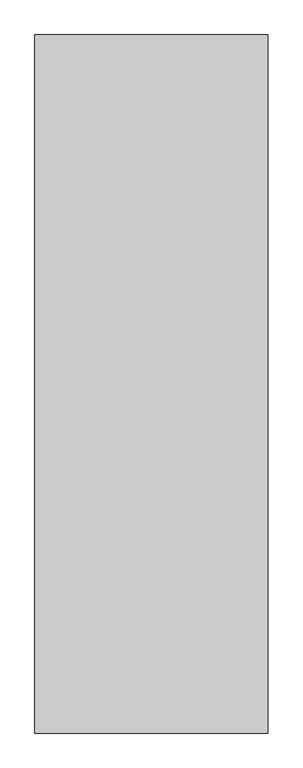
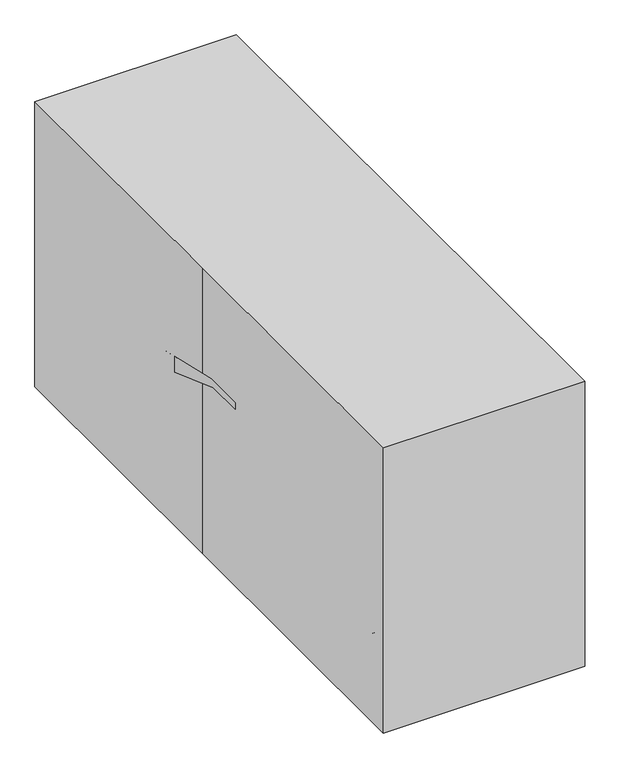
"""IFC4 building model written with IfcOpenShell, lengths in millimetres: proxy geometry."""

import ifcopenshell
import ifcopenshell.guid

model = None  # the IFC model being written
_history = None  # IfcOwnerHistory: only IFC2X3 demands one
_inside = {}  # id of a spatial element -> (the spatial element, [elements in it])
_under = {}  # id of a project, library or spatial element -> (it, [spatial elements below it])
_declared = {}  # id of a project -> (the project, [libraries it declares])
_typed = {}  # id of a type object -> (the type object, [elements of that type])
_made_of = {}  # id of a material, layer set ... -> (it, [elements and type objects made of it])


def new_model(schema):
    """Start an empty IFC model of exactly this schema.

    Asked for "IFC4X3", IfcOpenShell would pick the latest addendum, in which some entities
    have other attributes; the version numbers below select the first issue.
    IFC2X3 requires an IfcOwnerHistory on every rooted entity: one is made here for all.
    """
    global model, _history
    if schema == "IFC4X3":
        model = ifcopenshell.file(schema_version=(4, 3, 0, 0))
    else:
        model = ifcopenshell.file(schema=schema)
    _inside.clear()
    _under.clear()
    _declared.clear()
    _typed.clear()
    _made_of.clear()
    _history = None
    if model.schema == "IFC2X3":
        org = make("IfcOrganization", Name="unknown")
        user = make(
            "IfcPersonAndOrganization",
            ThePerson=make("IfcPerson", FamilyName="unknown"),
            TheOrganization=org,
        )
        app = make(
            "IfcApplication",
            ApplicationDeveloper=org,
            Version="unknown",
            ApplicationFullName="unknown",
            ApplicationIdentifier="unknown",
        )
        _history = make(
            "IfcOwnerHistory",
            OwningUser=user,
            OwningApplication=app,
            ChangeAction="ADDED",
            CreationDate=0,
        )
    return model


def make(cls, **values):
    """One entity of the class cls with the attributes given. An attribute that is None is left unset."""
    return model.create_entity(
        cls, **{name: value for name, value in values.items() if value is not None}
    )


def rooted(cls, **values):
    """An entity with a GlobalId (a new one), such as an element, a storey or a relation."""
    return make(cls, GlobalId=ifcopenshell.guid.new(), OwnerHistory=_history, **values)


def si_unit(unit_type, name, prefix=None):
    """IfcSIUnit, for example si_unit("LENGTHUNIT", "METRE", prefix="MILLI")."""
    return make("IfcSIUnit", UnitType=unit_type, Prefix=prefix, Name=name)


def assignment(units):
    """IfcUnitAssignment: the units of a project."""
    return None if units is None else make("IfcUnitAssignment", Units=units)


def point(xyz):
    """IfcCartesianPoint."""
    return None if xyz is None else make("IfcCartesianPoint", Coordinates=xyz)


def direction(xyz):
    """IfcDirection."""
    return None if xyz is None else make("IfcDirection", DirectionRatios=xyz)


def frame(location, z_axis=None, x_axis=None):
    """IfcAxis2Placement3D, a coordinate frame: its origin and axes. An axis left out is left unset."""
    return make(
        "IfcAxis2Placement3D",
        Location=point(location),
        Axis=direction(z_axis),
        RefDirection=direction(x_axis),
    )


def frame_2d(location, x_axis=None):
    """IfcAxis2Placement2D, a coordinate frame in the plane: its origin and x axis."""
    return make(
        "IfcAxis2Placement2D", Location=point(location), RefDirection=direction(x_axis)
    )


def origin():
    """The frame at (0, 0, 0) with its axes left unset."""
    return frame((0.0, 0.0, 0.0))


def origin_with_axes():
    """The frame at (0, 0, 0) with the z axis (0, 0, 1) and the x axis (1, 0, 0) written out."""
    return frame((0.0, 0.0, 0.0), z_axis=(0.0, 0.0, 1.0), x_axis=(1.0, 0.0, 0.0))


def place(relative_to, where):
    """IfcLocalPlacement: puts the frame where relative to a parent placement (None: the world)."""
    return make(
        "IfcLocalPlacement", PlacementRelTo=relative_to, RelativePlacement=where
    )


def context(
    kind, dimensions, precision=None, world=None, true_north=None, identifier=None
):
    """IfcGeometricRepresentationContext, for example the 3D "Model" context."""
    return make(
        "IfcGeometricRepresentationContext",
        ContextIdentifier=identifier,
        ContextType=kind,
        CoordinateSpaceDimension=dimensions,
        Precision=precision,
        WorldCoordinateSystem=world,
        TrueNorth=true_north,
    )


def project(units=None, contexts=None):
    """IfcProject with its units and contexts."""
    return rooted(
        "IfcProject",
        Name="project",
        RepresentationContexts=contexts,
        UnitsInContext=assignment(units),
    )


def spatial(cls, under=None, at=None, **own):
    """A site, building, storey or space (cls), placed at a placement, below another one or the project."""
    s = rooted(cls, ObjectPlacement=at, **own)
    if under is not None:
        _under.setdefault(under.id(), (under, []))[1].append(s)
    return s


def polyline(points):
    """IfcPolyline through the points."""
    return make("IfcPolyline", Points=[point(p) for p in points])


def circle_curve(where, radius):
    """IfcCircle in the frame where."""
    return make("IfcCircle", Position=where, Radius=radius)


def trimmed(basis, trim1, trim2, sense, master):
    """IfcTrimmedCurve: the piece of a basis curve between two trims."""
    return make(
        "IfcTrimmedCurve",
        BasisCurve=basis,
        Trim1=trim1,
        Trim2=trim2,
        SenseAgreement=sense,
        MasterRepresentation=master,
    )


def segment(curve, same_sense, transition):
    """IfcCompositeCurveSegment."""
    return make(
        "IfcCompositeCurveSegment",
        Transition=transition,
        SameSense=same_sense,
        ParentCurve=curve,
    )


def composite_curve(segments, self_intersect=None):
    """IfcCompositeCurve: segments joined end to end."""
    return make("IfcCompositeCurve", Segments=segments, SelfIntersect=self_intersect)


def outline(outer, holes=None, kind="AREA"):
    """IfcArbitraryClosedProfileDef: a profile drawn as a closed curve; with holes, ...WithVoids."""
    if holes is None:
        return make("IfcArbitraryClosedProfileDef", ProfileType=kind, OuterCurve=outer)
    return make(
        "IfcArbitraryProfileDefWithVoids",
        ProfileType=kind,
        OuterCurve=outer,
        InnerCurves=holes,
    )


def extrude(swept, where, along, depth):
    """IfcExtrudedAreaSolid: the profile swept, set in the frame where, extruded along a direction by depth."""
    return make(
        "IfcExtrudedAreaSolid",
        SweptArea=swept,
        Position=where,
        ExtrudedDirection=direction(along),
        Depth=depth,
    )


def faces_of(points, faces, orient=None, outer=None):
    """IfcFace entities. A face is a list of loops; a loop is a list of indices into points, from 0.

    orient and outer hold one flag for each loop. By default every Orientation is true, the
    first loop of a face is its IfcFaceOuterBound and the others are IfcFaceBound.
    """
    made = []
    for i, loops in enumerate(faces):
        bounds = []
        for j, loop in enumerate(loops):
            is_outer = j == 0 if outer is None else outer[i][j]
            bounds.append(
                make(
                    "IfcFaceOuterBound" if is_outer else "IfcFaceBound",
                    Bound=make("IfcPolyLoop", Polygon=[points[k] for k in loop]),
                    Orientation=True if orient is None else orient[i][j],
                )
            )
        made.append(make("IfcFace", Bounds=bounds))
    return made


def faceted_brep(points, faces, orient=None, outer=None, voids=None):
    """IfcFacetedBrep: a solid bounded by flat faces; with voids (closed shells), ...WithVoids."""
    shared = [point(p) for p in points]
    hull = make("IfcClosedShell", CfsFaces=faces_of(shared, faces, orient, outer))
    if voids is None:
        return make("IfcFacetedBrep", Outer=hull)
    return make(
        "IfcFacetedBrepWithVoids",
        Outer=hull,
        Voids=[
            make(cls, CfsFaces=faces_of(shared, fs, o, b)) for cls, fs, o, b in voids
        ],
    )


def shape(context_of_items, identifier, shape_type, items):
    """IfcShapeRepresentation: the items that make up one representation, for example the "Body"."""
    return make(
        "IfcShapeRepresentation",
        ContextOfItems=context_of_items,
        RepresentationIdentifier=identifier,
        RepresentationType=shape_type,
        Items=items,
    )


def source(mapping_origin, context_of_items, identifier, shape_type, items):
    """IfcRepresentationMap: a shape defined once, which mapped items show again and again."""
    return make(
        "IfcRepresentationMap",
        MappingOrigin=mapping_origin,
        MappedRepresentation=shape(context_of_items, identifier, shape_type, items),
    )


def transform(
    local_origin,
    x_axis=None,
    y_axis=None,
    z_axis=None,
    scale=None,
    scale2=None,
    scale3=None,
    uniform=True,
):
    """IfcCartesianTransformationOperator3D, or its non-uniform kind. x_axis, y_axis, z_axis: its Axis1, 2, 3."""
    if uniform:
        return make(
            "IfcCartesianTransformationOperator3D",
            Axis1=direction(x_axis),
            Axis2=direction(y_axis),
            LocalOrigin=point(local_origin),
            Scale=scale,
            Axis3=direction(z_axis),
        )
    return make(
        "IfcCartesianTransformationOperator3DnonUniform",
        Axis1=direction(x_axis),
        Axis2=direction(y_axis),
        LocalOrigin=point(local_origin),
        Scale=scale,
        Axis3=direction(z_axis),
        Scale2=scale2,
        Scale3=scale3,
    )


def mapped(mapping_source, mapping_target):
    """IfcMappedItem: shows the shape of a source again, moved by a transform."""
    return make(
        "IfcMappedItem", MappingSource=mapping_source, MappingTarget=mapping_target
    )


def made_of(thing, what):
    """Note that an element or type object is made of a material, layer set ...; save() writes the relation."""
    if what is not None:
        _made_of.setdefault(what.id(), (what, []))[1].append(thing)
    return thing


def element(
    cls,
    number,
    at=None,
    inside=None,
    cuts=None,
    type_object=None,
    material=None,
    context=None,
    identifier="Body",
    shape_type=None,
    held_by="IfcProductDefinitionShape",
    body=None,
    shapes=None,
    **own,
):
    """One element of the class cls, such as IfcWall. Its Tag is "e" and its number.

    at: its placement. inside: the storey or other place that contains it. cuts: it is an
    opening in that element (IfcRelVoidsElement). A single representation is given by context,
    identifier, shape_type and body (its items); several are given by shapes. held_by: the class
    of the entity that holds the representations. save() writes the other relations.
    """
    e = rooted(cls, Tag="e%d" % number, ObjectPlacement=at, **own)
    if body is not None:
        shapes = [shape(context, identifier, shape_type, body)]
    if shapes is not None:
        e.Representation = make(held_by, Representations=shapes)
    if inside is not None:
        _inside.setdefault(inside.id(), (inside, []))[1].append(e)
    if cuts is not None:
        rooted(
            "IfcRelVoidsElement", RelatingBuildingElement=cuts, RelatedOpeningElement=e
        )
    if type_object is not None:
        _typed.setdefault(type_object.id(), (type_object, []))[1].append(e)
    return made_of(e, material)


def aggregate(whole, parts):
    """IfcRelAggregates: a whole, such as a stair, and the parts it consists of."""
    return rooted("IfcRelAggregates", RelatingObject=whole, RelatedObjects=parts)


def save(model, path):
    """Write the relations noted so far, then the file.

    IfcRelAggregates (storeys below a building ...), IfcRelContainedInSpatialStructure (elements
    in a storey), IfcRelDefinesByType, IfcRelAssociatesMaterial and IfcRelDeclares: one each for
    every whole, place, type object, material and project.
    """
    for whole, parts in _under.values():
        aggregate(whole, parts)
    for where, things in _inside.values():
        rooted(
            "IfcRelContainedInSpatialStructure",
            RelatedElements=things,
            RelatingStructure=where,
        )
    for kind, things in _typed.values():
        rooted("IfcRelDefinesByType", RelatedObjects=things, RelatingType=kind)
    for what, things in _made_of.values():
        rooted("IfcRelAssociatesMaterial", RelatedObjects=things, RelatingMaterial=what)
    for by, libraries in _declared.values():
        rooted("IfcRelDeclares", RelatingContext=by, RelatedDefinitions=libraries)
    model.write(path)


def specialty_equipment_8bfd413c(model_context):
    return source(origin(), model_context, "Body", "SolidModel", [
        extrude(outline(composite_curve([segment(polyline([(28.2957277, -17.3481149), (94.0039307, -301.9616109), (94.0039307, -448.0116108), (68.6039307, -448.0116108), (68.6039307, -314.6616109), (-29.8556366, -42.5529378)]), True, "CONTINUOUS"), segment(trimmed(circle_curve(frame_2d((0.0, -31.75)), 31.75), [point((-29.8556366, -42.5529378))], [point((28.2957277, -17.3481149))], False, "CARTESIAN"), True, "CONTINUOUS")], self_intersect=False)), frame((-304.5217877, 288.8883644, 590.622225), z_axis=(-0.9999995325093792, 0.0009669441674130507, 0.0), x_axis=(0.0, 0.0, 1.0)), (0.0, 0.0, 1.0), 50.8),
        extrude(outline(composite_curve([segment(polyline([(0.0, 0.0), (292.0999999, 0.0), (434.406748, -32.8541015), (428.6929912, -57.6031011), (298.760743, -27.605878), (11.4776141, -62.3308001)]), True, "CONTINUOUS"), segment(trimmed(circle_curve(frame_2d((7.6676119, -30.8102293)), 31.75), [point((11.4776141, -62.3308001))], [point((0.0, 0.0))], False, "CARTESIAN"), True, "CONTINUOUS")], self_intersect=False)), frame((355.8611289, 270.9016876, 618.9179527), z_axis=(-0.9999995325093792, 0.0009669441674130508, 0.0), x_axis=(-0.000942161451045959, -0.9743696092763681, 0.22495105434386833)), (0.0, 0.0, 1.0), 50.8),
        extrude(outline(polyline([(-279.4, 654.05), (-279.4, 679.45), (-254.0, 679.45), (-254.0, 654.05), (-279.4, 654.05)])), frame((0.0, 0.0, 441.9224835), z_axis=(0.0, 0.0, 1.0), x_axis=(1.0, 0.0, 0.0)), (0.0, 0.0, 1.0), 82.55),
        extrude(outline(composite_curve([segment(trimmed(circle_curve(frame_2d((666.75, 448.2724835)), 38.1), [point((628.65, 448.2724835))], [point((704.85, 448.2724835))], False, "CARTESIAN"), True, "CONTINUOUS"), segment(trimmed(circle_curve(frame_2d((666.75, 448.2724835)), 38.1), [point((704.85, 448.2724835))], [point((628.65, 448.2724835))], False, "CARTESIAN"), True, "CONTINUOUS")], self_intersect=False)), frame((-254.0, 0.0, 0.0), z_axis=(1.0, 0.0, 0.0), x_axis=(0.0, 1.0, 0.0)), (0.0, 0.0, 1.0), 508.0),
        extrude(outline(polyline([(279.4, 679.45), (279.4, 654.05), (254.0, 654.05), (254.0, 679.45), (279.4, 679.45)])), frame((0.0, 0.0, 441.9224835), z_axis=(0.0, 0.0, 1.0), x_axis=(1.0, 0.0, 0.0)), (0.0, 0.0, 1.0), 82.55),
        extrude(outline(composite_curve([segment(trimmed(circle_curve(frame_2d((-939.0544526, 298.45)), 12.7), [point((-939.0544526, 285.75))], [point((-951.7544526, 298.45))], False, "CARTESIAN"), True, "CONTINUOUS"), segment(polyline([(-951.7544526, 298.45), (-951.7544526, 323.85)]), True, "CONTINUOUS"), segment(trimmed(circle_curve(frame_2d((-939.0544526, 323.85)), 12.7), [point((-951.7544526, 323.85))], [point((-939.0544526, 336.55))], False, "CARTESIAN"), True, "CONTINUOUS"), segment(polyline([(-939.0544526, 336.55), (-698.907082, 336.55)]), True, "CONTINUOUS"), segment(trimmed(circle_curve(frame_2d((-698.907082, 323.85)), 12.7), [point((-698.907082, 336.55))], [point((-686.207082, 323.85))], False, "CARTESIAN"), True, "CONTINUOUS"), segment(polyline([(-686.207082, 323.85), (-686.207082, 298.45)]), True, "CONTINUOUS"), segment(trimmed(circle_curve(frame_2d((-698.907082, 298.45)), 12.7), [point((-686.207082, 298.45))], [point((-698.907082, 285.75))], False, "CARTESIAN"), True, "CONTINUOUS"), segment(polyline([(-698.907082, 285.75), (-939.0544526, 285.75)]), True, "CONTINUOUS")], self_intersect=False)), frame((-323.85, 0.0, 0.0), z_axis=(1.0, 0.0, 0.0), x_axis=(0.0, 1.0, 0.0)), (0.0, 0.0, 1.0), 647.7),
        extrude(outline(polyline([(-342.9, -546.507082), (-304.8, -546.507082), (-304.8, -584.607082), (-323.85, -584.607082), (-323.85, -698.907082), (323.85, -698.907082), (323.85, -584.607082), (304.8, -584.607082), (304.8, -546.507082), (342.9, -546.507082), (342.9, -698.907082), (342.9, -939.8), (-342.9, -939.8), (-342.9, -698.907082), (-342.9, -546.507082)])), frame((0.0, 0.0, 260.35), z_axis=(0.0, 0.0, 1.0), x_axis=(1.0, 0.0, 0.0)), (0.0, 0.0, 1.0), 25.4),
        extrude(outline(polyline([(30.5863323, 259.8183384), (24.2363323, 259.8183384), (14.2736326, 309.6318368), (20.6236326, 309.6318368), (30.5863323, 259.8183384)])), frame((0.0, -191.0688357, 0.0), z_axis=(0.0, 1.0, 0.0), x_axis=(0.0, 0.0, 1.0)), (0.0, 0.0, 1.0), 36.3232839),
        extrude(outline(polyline([(30.5863323, 259.8183384), (24.2363323, 259.8183384), (14.2736326, 309.6318368), (20.6236326, 309.6318368), (30.5863323, 259.8183384)])), frame((0.0, -252.4686123, 0.0), z_axis=(0.0, 1.0, 0.0), x_axis=(0.0, 0.0, 1.0)), (0.0, 0.0, 1.0), 36.3232839),
        faceted_brep([(317.5, -267.107082, 0.0), (317.5, -267.107082, 12.7), (254.0, -267.107082, 25.4), (254.0, -267.107082, 0.0), (317.5, -140.107082, 12.7), (317.5, -140.107082, 0.0), (254.0, -140.107082, 0.0), (254.0, -140.107082, 25.4), (254.0, -546.507082, 0.0), (-254.0, -546.507082, 0.0), (-254.0, 139.292918, 0.0), (254.0, 139.292918, 0.0), (-254.0, -546.507082, 524.4724835), (254.0, -546.507082, 524.4724835), (254.0, 139.292918, 524.4724835), (-254.0, 139.292918, 524.4724835)], [[[0, 1, 2, 3]], [[4, 5, 6, 7]], [[1, 0, 5, 4]], [[1, 4, 7, 2]], [[5, 0, 3, 8, 9, 10, 11, 6]], [[12, 13, 14, 15]], [[13, 12, 9, 8]], [[14, 13, 8, 3, 2, 7, 6, 11]], [[15, 14, 11, 10]], [[12, 15, 10, 9]]]),
        extrude(outline(polyline([(304.8, -546.507082), (304.8, -584.607082), (-304.8, -584.607082), (-304.8, -546.507082), (304.8, -546.507082)])), frame((0.0, 0.0, 58.8983601), z_axis=(0.0, 0.0, 1.0), x_axis=(1.0, 0.0, 0.0)), (0.0, 0.0, 1.0), 446.5241234),
        extrude(outline(composite_curve([segment(polyline([(-635.407082, 60.9224835), (-635.407082, 505.4224835)]), True, "CONTINUOUS"), segment(trimmed(circle_curve(frame_2d((-622.707082, 505.4224835)), 12.7), [point((-635.407082, 505.4224835))], [point((-622.707082, 518.1224835))], False, "CARTESIAN"), True, "CONTINUOUS"), segment(polyline([(-622.707082, 518.1224835), (-597.307082, 518.1224835)]), True, "CONTINUOUS"), segment(trimmed(circle_curve(frame_2d((-597.307082, 505.4224835)), 12.7), [point((-597.307082, 518.1224835))], [point((-584.607082, 505.4224835))], False, "CARTESIAN"), True, "CONTINUOUS"), segment(polyline([(-584.607082, 505.4224835), (-584.607082, 60.9224835)]), True, "CONTINUOUS"), segment(trimmed(circle_curve(frame_2d((-597.307082, 60.9224835)), 12.7), [point((-584.607082, 60.9224835))], [point((-597.307082, 48.2224835))], False, "CARTESIAN"), True, "CONTINUOUS"), segment(polyline([(-597.307082, 48.2224835), (-622.707082, 48.2224835)]), True, "CONTINUOUS"), segment(trimmed(circle_curve(frame_2d((-622.707082, 60.9224835)), 12.7), [point((-622.707082, 48.2224835))], [point((-635.407082, 60.9224835))], False, "CARTESIAN"), True, "CONTINUOUS")], self_intersect=False)), frame((-304.8, 0.0, 0.0), z_axis=(1.0, 0.0, 0.0), x_axis=(0.0, 1.0, 0.0)), (0.0, 0.0, 1.0), 609.6),
        extrude(outline(polyline([(304.8, 717.142918), (304.8, -521.107082), (-304.8, -521.107082), (-304.8, 717.142918), (304.8, 717.142918)])), frame((0.0, 0.0, 524.4724835), z_axis=(0.0, 0.0, 1.0), x_axis=(1.0, 0.0, 0.0)), (0.0, 0.0, 1.0), 38.1),
        extrude(outline(composite_curve([segment(polyline([(-520.7, 613.3724835), (714.4295241, 613.3724835)]), True, "CONTINUOUS"), segment(trimmed(circle_curve(frame_2d((714.4295241, 600.6724835)), 12.7), [point((714.4295241, 613.3724835))], [point((727.1295241, 600.6724835))], False, "CARTESIAN"), True, "CONTINUOUS"), segment(polyline([(727.1295241, 600.6724835), (727.1295241, 575.2724835)]), True, "CONTINUOUS"), segment(trimmed(circle_curve(frame_2d((714.4295241, 575.2724835)), 12.7), [point((727.1295241, 575.2724835))], [point((714.4295241, 562.5724835))], False, "CARTESIAN"), True, "CONTINUOUS"), segment(polyline([(714.4295241, 562.5724835), (-520.7, 562.5724835)]), True, "CONTINUOUS"), segment(trimmed(circle_curve(frame_2d((-520.7, 575.2724835)), 12.7), [point((-520.7, 562.5724835))], [point((-533.4, 575.2724835))], False, "CARTESIAN"), True, "CONTINUOUS"), segment(polyline([(-533.4, 575.2724835), (-533.4, 600.6724835)]), True, "CONTINUOUS"), segment(trimmed(circle_curve(frame_2d((-520.7, 600.6724835)), 12.7), [point((-533.4, 600.6724835))], [point((-520.7, 613.3724835))], False, "CARTESIAN"), True, "CONTINUOUS")], self_intersect=False)), frame((-304.8, 0.0, 0.0), z_axis=(1.0, 0.0, 0.0), x_axis=(0.0, 1.0, 0.0)), (0.0, 0.0, 1.0), 609.6),
        extrude(outline(polyline([(-355.6, -1066.8), (-355.6, 38.1), (-355.6, 1066.8), (355.6, 1066.8), (355.6, -1066.8), (-355.6, -1066.8)])), origin_with_axes(), (0.0, 0.0, 1.0), 1066.8),
    ])


if __name__ == "__main__":
    model = new_model("IFC4")
    model_context = context("Model", 3, world=origin())
    ifc_project = project(units=[si_unit("LENGTHUNIT", "METRE", prefix="MILLI")], contexts=[model_context])
    site = spatial("IfcSite", under=ifc_project)
    building = spatial("IfcBuilding", under=site)
    placement = place(None, origin())
    specialty_equipment_shape = specialty_equipment_8bfd413c(model_context)
    element("IfcBuildingElementProxy", 1, Name="Specialty Equipment", at=placement, inside=building, context=model_context, shape_type="MappedRepresentation", body=[
        mapped(specialty_equipment_shape, transform((0.0, 0.0, 0.0), x_axis=(1.0, 0.0, 0.0), y_axis=(0.0, 1.0, 0.0), z_axis=(0.0, 0.0, 1.0))),
    ])
    save(model, "model.ifc")
